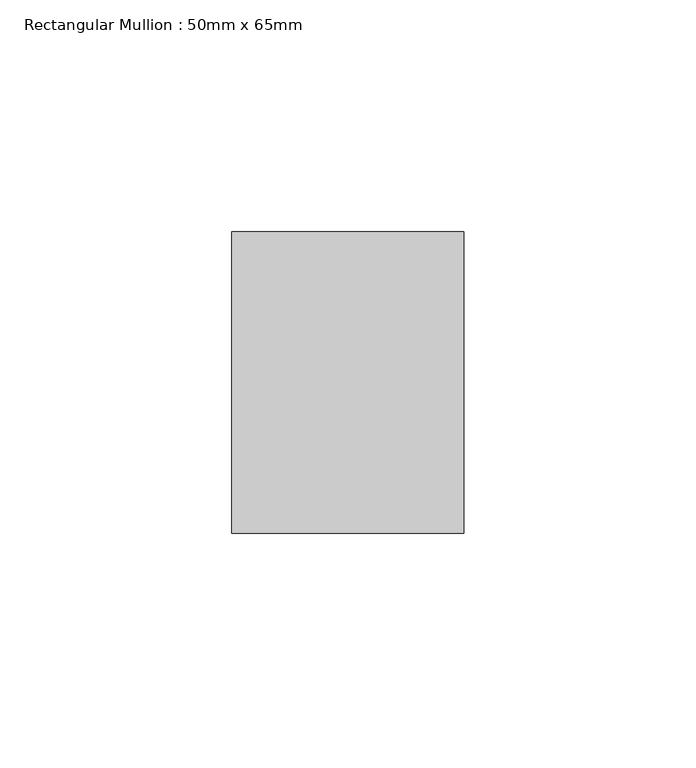
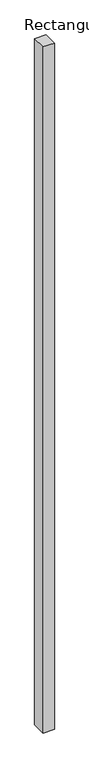
"""IFC4 building model written with IfcOpenShell, lengths in millimetres: member geometry, Rectangular Mullion : 50mm x 65mm."""

from ifc_helpers import new_model, si_unit, frame, origin, place, context, project, spatial, polyline, outline, extrude, source, transform, mapped, element, save


def rectangular_mullion_50mm_x_65mm_d59e9c42(model_context):
    return source(origin(), model_context, "Body", "SweptSolid", [
        extrude(outline(polyline([(25.0, 32.5), (25.0, -32.5), (-25.0, -32.5), (-25.0, 32.5), (25.0, 32.5)])), frame((0.0, 0.0, -3235.268453), z_axis=(0.0, 0.0, 1.0), x_axis=(1.0, 0.0, 0.0)), (0.0, 0.0, 1.0), 3235.268453),
    ])


if __name__ == "__main__":
    model = new_model("IFC4")
    model_context = context("Model", 3, world=origin())
    ifc_project = project(units=[si_unit("LENGTHUNIT", "METRE", prefix="MILLI")], contexts=[model_context])
    site = spatial("IfcSite", under=ifc_project)
    building = spatial("IfcBuilding", under=site)
    placement = place(None, origin())
    rectangular_mullion_50mm_x_65mm_shape = rectangular_mullion_50mm_x_65mm_d59e9c42(model_context)
    element("IfcMember", 1, ObjectType="Rectangular Mullion : 50mm x 65mm", at=placement, inside=building, context=model_context, shape_type="MappedRepresentation", body=[
        mapped(rectangular_mullion_50mm_x_65mm_shape, transform((0.0, 0.0, 0.0), x_axis=(1.0, 0.0, 0.0), y_axis=(0.0, 1.0, 0.0), z_axis=(0.0, 0.0, 1.0))),
    ])
    save(model, "model.ifc")
